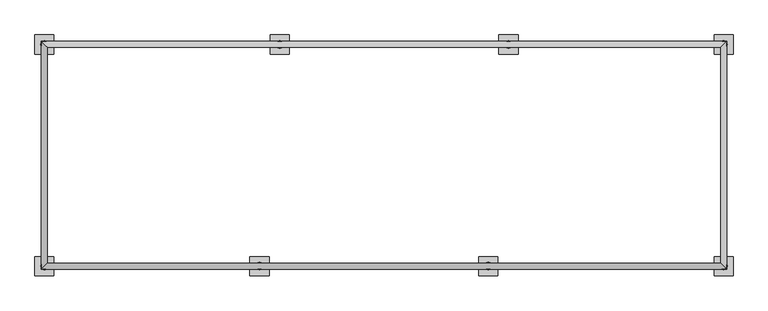
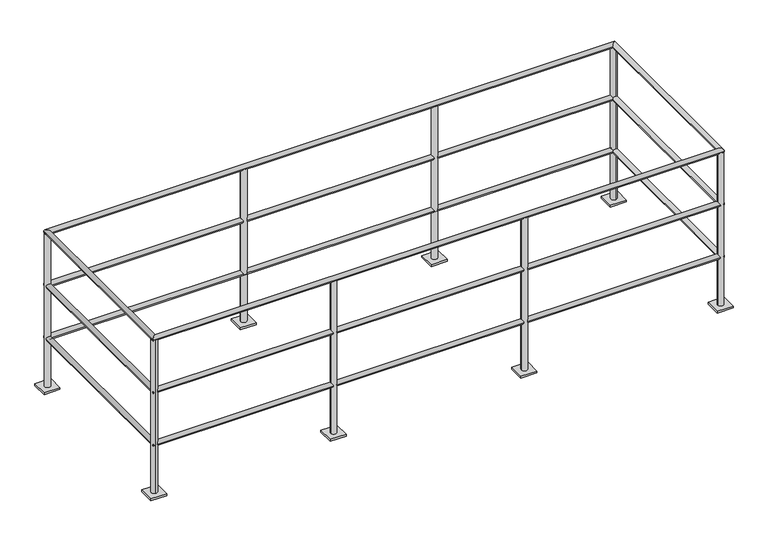
"""IFC4 building model written with IfcOpenShell, lengths in millimetres: railing geometry."""

from ifc_helpers import new_model, si_unit, point, frame, frame_2d, origin, origin_with_axes, place, context, project, spatial, polyline, circle_curve, ellipse_curve, trimmed, segment, composite_curve, outline, extrude, source, transform, mapped, element, save
from ifc_brep_helpers import cylinder_surface, advanced_brep


def railing_72ef2c57(model_context):
    return source(origin(), model_context, "Body", "SolidModel", [
        advanced_brep(
        [(-9599.3458618, -13652.4776485, 1050.925), (-9631.0958618, -13684.2276485, 1050.925), (-5979.8458618, -13684.2276485, 1050.925), (-6011.5958618, -13652.4776485, 1050.925), (-5979.8458618, -12471.3776485, 1050.925), (-6011.5958618, -12503.1276485, 1050.925), (-9631.0958618, -12471.3776485, 1050.925), (-9599.3458618, -12503.1276485, 1050.925)],
        [
            (0, 1, ellipse_curve(frame((-9615.2208618, -13668.3526485, 1050.925), z_axis=(0.7071067811865465, -0.7071067811865487, 0.0), x_axis=(-0.7071067811865485, -0.7071067811865466, 0.0)), 22.4506403, 15.875)),
            (1, 2),
            (2, 3, ellipse_curve(frame((-5995.7208618, -13668.3526485, 1050.925), z_axis=(-0.7071067811865486, -0.7071067811865464, 0.0), x_axis=(-0.7071067811865466, 0.7071067811865485, 0.0)), 22.4506403, 15.875)),
            (3, 0),
            (1, 0, ellipse_curve(frame((-9615.2208618, -13668.3526485, 1050.925), z_axis=(0.7071067811865465, -0.7071067811865487, 0.0), x_axis=(-0.7071067811865485, -0.7071067811865466, 0.0)), 22.4506403, 15.875)),
            (3, 2, ellipse_curve(frame((-5995.7208618, -13668.3526485, 1050.925), z_axis=(-0.7071067811865486, -0.7071067811865464, 0.0), x_axis=(-0.7071067811865466, 0.7071067811865485, 0.0)), 22.4506403, 15.875)),
            (2, 4),
            (4, 5, ellipse_curve(frame((-5995.7208618, -12487.2526485, 1050.925), z_axis=(0.7071067811865475, -0.7071067811865475, 0.0), x_axis=(-0.7071067811865474, -0.7071067811865476, 0.0)), 22.4506403, 15.875)),
            (5, 3),
            (5, 4, ellipse_curve(frame((-5995.7208618, -12487.2526485, 1050.925), z_axis=(0.7071067811865475, -0.7071067811865475, 0.0), x_axis=(-0.7071067811865474, -0.7071067811865476, 0.0)), 22.4506403, 15.875)),
            (4, 6),
            (6, 7, ellipse_curve(frame((-9615.2208618, -12487.2526485, 1050.925), z_axis=(0.7071067811865475, 0.7071067811865475, 0.0), x_axis=(0.7071067811865476, -0.7071067811865474, 0.0)), 22.4506403, 15.875)),
            (7, 5),
            (7, 6, ellipse_curve(frame((-9615.2208618, -12487.2526485, 1050.925), z_axis=(0.7071067811865475, 0.7071067811865475, 0.0), x_axis=(0.7071067811865476, -0.7071067811865474, 0.0)), 22.4506403, 15.875)),
            (6, 1),
            (0, 7),
        ],
        [
            cylinder_surface(frame((-9615.2208618, -13668.3526485, 1050.925), z_axis=(-1.0, 0.0, 0.0), x_axis=(0.0, 1.0, 0.0)), 15.875),
            cylinder_surface(frame((-5995.7208618, -13668.3526485, 1050.925), z_axis=(0.0, -1.0, 0.0), x_axis=(-1.0, 0.0, 0.0)), 15.875),
            cylinder_surface(frame((-5995.7208618, -12487.2526485, 1050.925), z_axis=(1.0, 0.0, 0.0), x_axis=(0.0, -1.0, 0.0)), 15.875),
            cylinder_surface(frame((-9615.2208618, -12487.2526485, 1050.925), z_axis=(0.0, 1.0, 0.0), x_axis=(1.0, 0.0, 0.0)), 15.875),
        ],
        [
            (0, [[1, 2, 3, 4]]),
            (0, [[5, -4, 6, -2]]),
            (1, [[-3, 7, 8, 9]]),
            (1, [[-6, -9, 10, -7]]),
            (2, [[-8, 11, 12, 13]]),
            (2, [[-10, -13, 14, -11]]),
            (3, [[-12, 15, -1, 16]]),
            (3, [[-14, -16, -5, -15]]),
        ],
    ),
        advanced_brep(
        [(-6011.5958618, -13652.4776485, 695.325), (-5979.8458618, -13684.2276485, 695.325), (-5979.8458618, -12471.3776485, 695.325), (-6011.5958618, -12503.1276485, 695.325), (-9631.0958618, -12471.3776485, 695.325), (-9599.3458618, -12503.1276485, 695.325), (-9631.0958618, -13684.2276485, 695.325), (-9599.3458618, -13652.4776485, 695.325)],
        [
            (0, 1, ellipse_curve(frame((-5995.7208618, -13668.3526485, 695.325), z_axis=(0.7071067811865486, 0.7071067811865464, 0.0), x_axis=(0.7071067811865464, -0.7071067811865488, 0.0)), 22.4506403, 15.875)),
            (1, 2),
            (2, 3, ellipse_curve(frame((-5995.7208618, -12487.2526485, 695.325), z_axis=(0.7071067811865475, -0.7071067811865475, 0.0), x_axis=(-0.7071067811865474, -0.7071067811865476, 0.0)), 22.4506403, 15.875)),
            (3, 0),
            (1, 0, ellipse_curve(frame((-5995.7208618, -13668.3526485, 695.325), z_axis=(0.7071067811865486, 0.7071067811865464, 0.0), x_axis=(0.7071067811865464, -0.7071067811865488, 0.0)), 22.4506403, 15.875)),
            (3, 2, ellipse_curve(frame((-5995.7208618, -12487.2526485, 695.325), z_axis=(0.7071067811865475, -0.7071067811865475, 0.0), x_axis=(-0.7071067811865474, -0.7071067811865476, 0.0)), 22.4506403, 15.875)),
            (2, 4),
            (4, 5, ellipse_curve(frame((-9615.2208618, -12487.2526485, 695.325), z_axis=(0.7071067811865475, 0.7071067811865475, 0.0), x_axis=(0.7071067811865476, -0.7071067811865474, 0.0)), 22.4506403, 15.875)),
            (5, 3),
            (5, 4, ellipse_curve(frame((-9615.2208618, -12487.2526485, 695.325), z_axis=(0.7071067811865475, 0.7071067811865475, 0.0), x_axis=(0.7071067811865476, -0.7071067811865474, 0.0)), 22.4506403, 15.875)),
            (4, 6),
            (6, 7, ellipse_curve(frame((-9615.2208618, -13668.3526485, 695.325), z_axis=(-0.7071067811865465, 0.7071067811865487, 0.0), x_axis=(0.7071067811865487, 0.7071067811865462, 0.0)), 22.4506403, 15.875)),
            (7, 5),
            (7, 6, ellipse_curve(frame((-9615.2208618, -13668.3526485, 695.325), z_axis=(-0.7071067811865465, 0.7071067811865487, 0.0), x_axis=(0.7071067811865487, 0.7071067811865462, 0.0)), 22.4506403, 15.875)),
            (6, 1),
            (0, 7),
        ],
        [
            cylinder_surface(frame((-5995.7208618, -13668.3526485, 695.325), z_axis=(0.0, -1.0, 0.0), x_axis=(-1.0, 0.0, 0.0)), 15.875),
            cylinder_surface(frame((-5995.7208618, -12487.2526485, 695.325), z_axis=(1.0, 0.0, 0.0), x_axis=(0.0, -1.0, 0.0)), 15.875),
            cylinder_surface(frame((-9615.2208618, -12487.2526485, 695.325), z_axis=(0.0, 1.0, 0.0), x_axis=(1.0, 0.0, 0.0)), 15.875),
            cylinder_surface(frame((-9615.2208618, -13668.3526485, 695.325), z_axis=(-1.0, 0.0, 0.0), x_axis=(0.0, 1.0, 0.0)), 15.875),
        ],
        [
            (0, [[1, 2, 3, 4]]),
            (0, [[5, -4, 6, -2]]),
            (1, [[-3, 7, 8, 9]]),
            (1, [[-6, -9, 10, -7]]),
            (2, [[-8, 11, 12, 13]]),
            (2, [[-10, -13, 14, -11]]),
            (3, [[-12, 15, -1, 16]]),
            (3, [[-14, -16, -5, -15]]),
        ],
    ),
        advanced_brep(
        [(-6011.5958618, -13652.4776485, 339.725), (-5979.8458618, -13684.2276485, 339.725), (-5979.8458618, -12471.3776485, 339.725), (-6011.5958618, -12503.1276485, 339.725), (-9631.0958618, -12471.3776485, 339.725), (-9599.3458618, -12503.1276485, 339.725), (-9631.0958618, -13684.2276485, 339.725), (-9599.3458618, -13652.4776485, 339.725)],
        [
            (0, 1, ellipse_curve(frame((-5995.7208618, -13668.3526485, 339.725), z_axis=(0.7071067811865486, 0.7071067811865464, 0.0), x_axis=(0.7071067811865464, -0.7071067811865488, 0.0)), 22.4506403, 15.875)),
            (1, 2),
            (2, 3, ellipse_curve(frame((-5995.7208618, -12487.2526485, 339.725), z_axis=(0.7071067811865475, -0.7071067811865475, 0.0), x_axis=(-0.7071067811865474, -0.7071067811865476, 0.0)), 22.4506403, 15.875)),
            (3, 0),
            (1, 0, ellipse_curve(frame((-5995.7208618, -13668.3526485, 339.725), z_axis=(0.7071067811865486, 0.7071067811865464, 0.0), x_axis=(0.7071067811865464, -0.7071067811865488, 0.0)), 22.4506403, 15.875)),
            (3, 2, ellipse_curve(frame((-5995.7208618, -12487.2526485, 339.725), z_axis=(0.7071067811865475, -0.7071067811865475, 0.0), x_axis=(-0.7071067811865474, -0.7071067811865476, 0.0)), 22.4506403, 15.875)),
            (2, 4),
            (4, 5, ellipse_curve(frame((-9615.2208618, -12487.2526485, 339.725), z_axis=(0.7071067811865475, 0.7071067811865475, 0.0), x_axis=(0.7071067811865476, -0.7071067811865474, 0.0)), 22.4506403, 15.875)),
            (5, 3),
            (5, 4, ellipse_curve(frame((-9615.2208618, -12487.2526485, 339.725), z_axis=(0.7071067811865475, 0.7071067811865475, 0.0), x_axis=(0.7071067811865476, -0.7071067811865474, 0.0)), 22.4506403, 15.875)),
            (4, 6),
            (6, 7, ellipse_curve(frame((-9615.2208618, -13668.3526485, 339.725), z_axis=(-0.7071067811865465, 0.7071067811865487, 0.0), x_axis=(0.7071067811865487, 0.7071067811865462, 0.0)), 22.4506403, 15.875)),
            (7, 5),
            (7, 6, ellipse_curve(frame((-9615.2208618, -13668.3526485, 339.725), z_axis=(-0.7071067811865465, 0.7071067811865487, 0.0), x_axis=(0.7071067811865487, 0.7071067811865462, 0.0)), 22.4506403, 15.875)),
            (6, 1),
            (0, 7),
        ],
        [
            cylinder_surface(frame((-5995.7208618, -13668.3526485, 339.725), z_axis=(0.0, -1.0, 0.0), x_axis=(-1.0, 0.0, 0.0)), 15.875),
            cylinder_surface(frame((-5995.7208618, -12487.2526485, 339.725), z_axis=(1.0, 0.0, 0.0), x_axis=(0.0, -1.0, 0.0)), 15.875),
            cylinder_surface(frame((-9615.2208618, -12487.2526485, 339.725), z_axis=(0.0, 1.0, 0.0), x_axis=(1.0, 0.0, 0.0)), 15.875),
            cylinder_surface(frame((-9615.2208618, -13668.3526485, 339.725), z_axis=(-1.0, 0.0, 0.0), x_axis=(0.0, 1.0, 0.0)), 15.875),
        ],
        [
            (0, [[1, 2, 3, 4]]),
            (0, [[5, -4, 6, -2]]),
            (1, [[-3, 7, 8, 9]]),
            (1, [[-6, -9, 10, -7]]),
            (2, [[-8, 11, 12, 13]]),
            (2, [[-10, -13, 14, -11]]),
            (3, [[-12, 15, -1, 16]]),
            (3, [[-14, -16, -5, -15]]),
        ],
    ),
        extrude(outline(composite_curve([segment(trimmed(circle_curve(frame_2d((-7249.8105971, -13668.3526485)), 19.05), [point((-7268.8605971, -13668.3526485))], [point((-7230.7605971, -13668.3526485))], False, "CARTESIAN"), True, "CONTINUOUS"), segment(trimmed(circle_curve(frame_2d((-7249.8105971, -13668.3526485)), 19.05), [point((-7230.7605971, -13668.3526485))], [point((-7268.8605971, -13668.3526485))], False, "CARTESIAN"), True, "CONTINUOUS")], self_intersect=False), holes=[composite_curve([segment(trimmed(circle_curve(frame_2d((-7249.8105971, -13668.3526485)), 14.2875), [point((-7264.0980971, -13668.3526485))], [point((-7235.5230971, -13668.3526485))], True, "CARTESIAN"), True, "CONTINUOUS"), segment(trimmed(circle_curve(frame_2d((-7249.8105971, -13668.3526485)), 14.2875), [point((-7235.5230971, -13668.3526485))], [point((-7264.0980971, -13668.3526485))], True, "CARTESIAN"), True, "CONTINUOUS")], self_intersect=False)]), frame((0.0, 0.0, 12.7), z_axis=(0.0, 0.0, 1.0), x_axis=(1.0, 0.0, 0.0)), (0.0, 0.0, 1.0), 1035.05),
        extrude(outline(polyline([(-7199.0105971, -13617.5526485), (-7199.0105971, -13719.1526485), (-7300.6105971, -13719.1526485), (-7300.6105971, -13617.5526485), (-7199.0105971, -13617.5526485)])), origin_with_axes(), (0.0, 0.0, 1.0), 12.7),
        extrude(outline(composite_curve([segment(trimmed(circle_curve(frame_2d((-8469.0105971, -13668.3526485)), 19.05), [point((-8488.0605971, -13668.3526485))], [point((-8449.9605971, -13668.3526485))], False, "CARTESIAN"), True, "CONTINUOUS"), segment(trimmed(circle_curve(frame_2d((-8469.0105971, -13668.3526485)), 19.05), [point((-8449.9605971, -13668.3526485))], [point((-8488.0605971, -13668.3526485))], False, "CARTESIAN"), True, "CONTINUOUS")], self_intersect=False), holes=[composite_curve([segment(trimmed(circle_curve(frame_2d((-8469.0105971, -13668.3526485)), 14.2875), [point((-8483.2980971, -13668.3526485))], [point((-8454.7230971, -13668.3526485))], True, "CARTESIAN"), True, "CONTINUOUS"), segment(trimmed(circle_curve(frame_2d((-8469.0105971, -13668.3526485)), 14.2875), [point((-8454.7230971, -13668.3526485))], [point((-8483.2980971, -13668.3526485))], True, "CARTESIAN"), True, "CONTINUOUS")], self_intersect=False)]), frame((0.0, 0.0, 12.7), z_axis=(0.0, 0.0, 1.0), x_axis=(1.0, 0.0, 0.0)), (0.0, 0.0, 1.0), 1035.05),
        extrude(outline(polyline([(-8418.2105971, -13617.5526485), (-8418.2105971, -13719.1526485), (-8519.8105971, -13719.1526485), (-8519.8105971, -13617.5526485), (-8418.2105971, -13617.5526485)])), origin_with_axes(), (0.0, 0.0, 1.0), 12.7),
        extrude(outline(composite_curve([segment(trimmed(circle_curve(frame_2d((-8361.1311266, -12487.2526485)), 19.05), [point((-8342.0811266, -12487.2526485))], [point((-8380.1811266, -12487.2526485))], False, "CARTESIAN"), True, "CONTINUOUS"), segment(trimmed(circle_curve(frame_2d((-8361.1311266, -12487.2526485)), 19.05), [point((-8380.1811266, -12487.2526485))], [point((-8342.0811266, -12487.2526485))], False, "CARTESIAN"), True, "CONTINUOUS")], self_intersect=False), holes=[composite_curve([segment(trimmed(circle_curve(frame_2d((-8361.1311266, -12487.2526485)), 14.2875), [point((-8346.8436266, -12487.2526485))], [point((-8375.4186266, -12487.2526485))], True, "CARTESIAN"), True, "CONTINUOUS"), segment(trimmed(circle_curve(frame_2d((-8361.1311266, -12487.2526485)), 14.2875), [point((-8375.4186266, -12487.2526485))], [point((-8346.8436266, -12487.2526485))], True, "CARTESIAN"), True, "CONTINUOUS")], self_intersect=False)]), frame((0.0, 0.0, 12.7), z_axis=(0.0, 0.0, 1.0), x_axis=(1.0, 0.0, 0.0)), (0.0, 0.0, 1.0), 1035.05),
        extrude(outline(polyline([(-8411.9311266, -12538.0526485), (-8411.9311266, -12436.4526485), (-8310.3311266, -12436.4526485), (-8310.3311266, -12538.0526485), (-8411.9311266, -12538.0526485)])), origin_with_axes(), (0.0, 0.0, 1.0), 12.7),
        extrude(outline(composite_curve([segment(trimmed(circle_curve(frame_2d((-7141.9311266, -12487.2526485)), 19.05), [point((-7122.8811266, -12487.2526485))], [point((-7160.9811266, -12487.2526485))], False, "CARTESIAN"), True, "CONTINUOUS"), segment(trimmed(circle_curve(frame_2d((-7141.9311266, -12487.2526485)), 19.05), [point((-7160.9811266, -12487.2526485))], [point((-7122.8811266, -12487.2526485))], False, "CARTESIAN"), True, "CONTINUOUS")], self_intersect=False), holes=[composite_curve([segment(trimmed(circle_curve(frame_2d((-7141.9311266, -12487.2526485)), 14.2875), [point((-7127.6436266, -12487.2526485))], [point((-7156.2186266, -12487.2526485))], True, "CARTESIAN"), True, "CONTINUOUS"), segment(trimmed(circle_curve(frame_2d((-7141.9311266, -12487.2526485)), 14.2875), [point((-7156.2186266, -12487.2526485))], [point((-7127.6436266, -12487.2526485))], True, "CARTESIAN"), True, "CONTINUOUS")], self_intersect=False)]), frame((0.0, 0.0, 12.7), z_axis=(0.0, 0.0, 1.0), x_axis=(1.0, 0.0, 0.0)), (0.0, 0.0, 1.0), 1035.05),
        extrude(outline(polyline([(-7192.7311266, -12538.0526485), (-7192.7311266, -12436.4526485), (-7091.1311266, -12436.4526485), (-7091.1311266, -12538.0526485), (-7192.7311266, -12538.0526485)])), origin_with_axes(), (0.0, 0.0, 1.0), 12.7),
        extrude(outline(composite_curve([segment(trimmed(circle_curve(frame_2d((-5995.6855971, -13668.3526485)), 19.05), [point((-6014.7355971, -13668.3526485))], [point((-5976.6355971, -13668.3526485))], False, "CARTESIAN"), True, "CONTINUOUS"), segment(trimmed(circle_curve(frame_2d((-5995.6855971, -13668.3526485)), 19.05), [point((-5976.6355971, -13668.3526485))], [point((-6014.7355971, -13668.3526485))], False, "CARTESIAN"), True, "CONTINUOUS")], self_intersect=False), holes=[composite_curve([segment(trimmed(circle_curve(frame_2d((-5995.6855971, -13668.3526485)), 14.2875), [point((-6009.9730971, -13668.3526485))], [point((-5981.3980971, -13668.3526485))], True, "CARTESIAN"), True, "CONTINUOUS"), segment(trimmed(circle_curve(frame_2d((-5995.6855971, -13668.3526485)), 14.2875), [point((-5981.3980971, -13668.3526485))], [point((-6009.9730971, -13668.3526485))], True, "CARTESIAN"), True, "CONTINUOUS")], self_intersect=False)]), frame((0.0, 0.0, 12.7), z_axis=(0.0, 0.0, 1.0), x_axis=(1.0, 0.0, 0.0)), (0.0, 0.0, 1.0), 1035.05),
        extrude(outline(polyline([(-5944.8855971, -13617.5526485), (-5944.8855971, -13719.1526485), (-6046.4855971, -13719.1526485), (-6046.4855971, -13617.5526485), (-5944.8855971, -13617.5526485)])), origin_with_axes(), (0.0, 0.0, 1.0), 12.7),
        extrude(outline(composite_curve([segment(trimmed(circle_curve(frame_2d((-9615.2208618, -13668.3879132)), 19.05), [point((-9615.2208618, -13649.3379132))], [point((-9615.2208618, -13687.4379132))], False, "CARTESIAN"), True, "CONTINUOUS"), segment(trimmed(circle_curve(frame_2d((-9615.2208618, -13668.3879132)), 19.05), [point((-9615.2208618, -13687.4379132))], [point((-9615.2208618, -13649.3379132))], False, "CARTESIAN"), True, "CONTINUOUS")], self_intersect=False), holes=[composite_curve([segment(trimmed(circle_curve(frame_2d((-9615.2208618, -13668.3879132)), 14.2875), [point((-9615.2208618, -13654.1004132))], [point((-9615.2208618, -13682.6754132))], True, "CARTESIAN"), True, "CONTINUOUS"), segment(trimmed(circle_curve(frame_2d((-9615.2208618, -13668.3879132)), 14.2875), [point((-9615.2208618, -13682.6754132))], [point((-9615.2208618, -13654.1004132))], True, "CARTESIAN"), True, "CONTINUOUS")], self_intersect=False)]), frame((0.0, 0.0, 12.7), z_axis=(0.0, 0.0, 1.0), x_axis=(1.0, 0.0, 0.0)), (0.0, 0.0, 1.0), 1035.05),
        extrude(outline(polyline([(-9564.4208618, -13719.1879132), (-9666.0208618, -13719.1879132), (-9666.0208618, -13617.5879132), (-9564.4208618, -13617.5879132), (-9564.4208618, -13719.1879132)])), origin_with_axes(), (0.0, 0.0, 1.0), 12.7),
        extrude(outline(composite_curve([segment(trimmed(circle_curve(frame_2d((-9615.2561266, -12487.2526485)), 19.05), [point((-9596.2061266, -12487.2526485))], [point((-9634.3061266, -12487.2526485))], False, "CARTESIAN"), True, "CONTINUOUS"), segment(trimmed(circle_curve(frame_2d((-9615.2561266, -12487.2526485)), 19.05), [point((-9634.3061266, -12487.2526485))], [point((-9596.2061266, -12487.2526485))], False, "CARTESIAN"), True, "CONTINUOUS")], self_intersect=False), holes=[composite_curve([segment(trimmed(circle_curve(frame_2d((-9615.2561266, -12487.2526485)), 14.2875), [point((-9600.9686266, -12487.2526485))], [point((-9629.5436266, -12487.2526485))], True, "CARTESIAN"), True, "CONTINUOUS"), segment(trimmed(circle_curve(frame_2d((-9615.2561266, -12487.2526485)), 14.2875), [point((-9629.5436266, -12487.2526485))], [point((-9600.9686266, -12487.2526485))], True, "CARTESIAN"), True, "CONTINUOUS")], self_intersect=False)]), frame((0.0, 0.0, 12.7), z_axis=(0.0, 0.0, 1.0), x_axis=(1.0, 0.0, 0.0)), (0.0, 0.0, 1.0), 1035.05),
        extrude(outline(polyline([(-9666.0561266, -12538.0526485), (-9666.0561266, -12436.4526485), (-9564.4561266, -12436.4526485), (-9564.4561266, -12538.0526485), (-9666.0561266, -12538.0526485)])), origin_with_axes(), (0.0, 0.0, 1.0), 12.7),
        extrude(outline(composite_curve([segment(trimmed(circle_curve(frame_2d((-5995.7208618, -12487.2173838)), 19.05), [point((-5995.7208618, -12506.2673838))], [point((-5995.7208618, -12468.1673838))], False, "CARTESIAN"), True, "CONTINUOUS"), segment(trimmed(circle_curve(frame_2d((-5995.7208618, -12487.2173838)), 19.05), [point((-5995.7208618, -12468.1673838))], [point((-5995.7208618, -12506.2673838))], False, "CARTESIAN"), True, "CONTINUOUS")], self_intersect=False), holes=[composite_curve([segment(trimmed(circle_curve(frame_2d((-5995.7208618, -12487.2173838)), 14.2875), [point((-5995.7208618, -12501.5048838))], [point((-5995.7208618, -12472.9298838))], True, "CARTESIAN"), True, "CONTINUOUS"), segment(trimmed(circle_curve(frame_2d((-5995.7208618, -12487.2173838)), 14.2875), [point((-5995.7208618, -12472.9298838))], [point((-5995.7208618, -12501.5048838))], True, "CARTESIAN"), True, "CONTINUOUS")], self_intersect=False)]), frame((0.0, 0.0, 12.7), z_axis=(0.0, 0.0, 1.0), x_axis=(1.0, 0.0, 0.0)), (0.0, 0.0, 1.0), 1035.05),
        extrude(outline(polyline([(-6046.5208618, -12436.4173838), (-5944.9208618, -12436.4173838), (-5944.9208618, -12538.0173838), (-6046.5208618, -12538.0173838), (-6046.5208618, -12436.4173838)])), origin_with_axes(), (0.0, 0.0, 1.0), 12.7),
    ])


if __name__ == "__main__":
    model = new_model("IFC4")
    model_context = context("Model", 3, world=origin())
    ifc_project = project(units=[si_unit("LENGTHUNIT", "METRE", prefix="MILLI")], contexts=[model_context])
    site = spatial("IfcSite", under=ifc_project)
    building = spatial("IfcBuilding", under=site)
    placement = place(None, origin())
    railing_shape = railing_72ef2c57(model_context)
    element("IfcRailing", 1, at=placement, inside=building, context=model_context, shape_type="MappedRepresentation", body=[
        mapped(railing_shape, transform((0.0, 0.0, 0.0), x_axis=(1.0, 0.0, 0.0), y_axis=(0.0, 1.0, 0.0), z_axis=(0.0, 0.0, 1.0))),
    ])
    save(model, "model.ifc")
